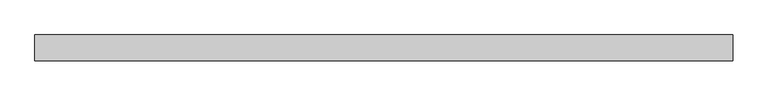
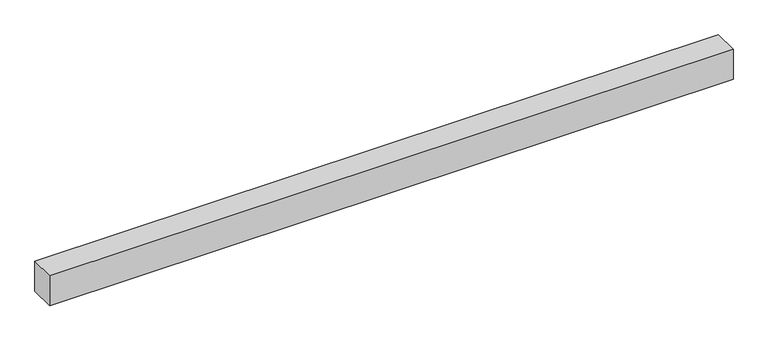
"""IFC4 building model written with IfcOpenShell, lengths in millimetres: proxy geometry."""

from ifc_helpers import new_model, si_unit, frame, origin, place, context, project, spatial, polyline, outline, extrude, source, transform, mapped, element, save


def generic_models_15b57647(model_context):
    return source(origin(), model_context, "Body", "SweptSolid", [
        extrude(outline(polyline([(40.0, 0.0), (-40.0, 0.0), (-40.0, 2160.0), (40.0, 2160.0), (40.0, 0.0)])), frame((2160.0, 0.0, 0.0), z_axis=(0.0, -1.9783474858313244e-12, 1.0), x_axis=(0.0, 1.0, 1.9783474858313244e-12)), (0.0, 0.0, 1.0), 100.0),
    ])


if __name__ == "__main__":
    model = new_model("IFC4")
    model_context = context("Model", 3, world=origin())
    ifc_project = project(units=[si_unit("LENGTHUNIT", "METRE", prefix="MILLI")], contexts=[model_context])
    site = spatial("IfcSite", under=ifc_project)
    building = spatial("IfcBuilding", under=site)
    placement = place(None, origin())
    generic_models_shape = generic_models_15b57647(model_context)
    element("IfcBuildingElementProxy", 1, Name="Generic Models", at=placement, inside=building, context=model_context, shape_type="MappedRepresentation", body=[
        mapped(generic_models_shape, transform((0.0, 0.0, 0.0), x_axis=(1.0, 0.0, 0.0), y_axis=(0.0, 1.0, 0.0), z_axis=(0.0, 0.0, 1.0))),
    ])
    save(model, "model.ifc")
